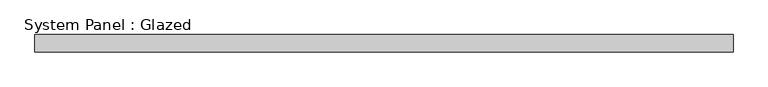
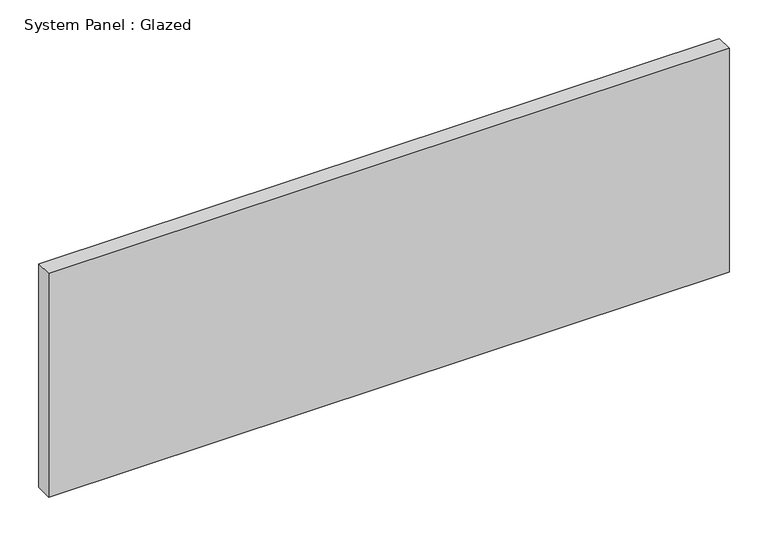
"""IFC4 building model written with IfcOpenShell, lengths in millimetres: plate geometry, System Panel : Glazed."""

from ifc_helpers import new_model, si_unit, origin, origin_with_axes, place, context, project, spatial, polyline, outline, extrude, source, transform, mapped, element, save


def system_panel_glazed_c3c95ef0(model_context):
    return source(origin(), model_context, "Body", "SweptSolid", [
        extrude(outline(polyline([(508.0, 19.05), (-508.0, 19.05), (-508.0, 44.45), (508.0, 44.45), (508.0, 19.05)])), origin_with_axes(), (0.0, 0.0, 1.0), 352.8785714),
    ])


if __name__ == "__main__":
    model = new_model("IFC4")
    model_context = context("Model", 3, world=origin())
    ifc_project = project(units=[si_unit("LENGTHUNIT", "METRE", prefix="MILLI")], contexts=[model_context])
    site = spatial("IfcSite", under=ifc_project)
    building = spatial("IfcBuilding", under=site)
    placement = place(None, origin())
    system_panel_glazed_shape = system_panel_glazed_c3c95ef0(model_context)
    element("IfcPlate", 1, ObjectType="System Panel : Glazed", at=placement, inside=building, context=model_context, shape_type="MappedRepresentation", body=[
        mapped(system_panel_glazed_shape, transform((0.0, 0.0, 0.0), x_axis=(1.0, 0.0, 0.0), y_axis=(0.0, 1.0, 0.0), z_axis=(0.0, 0.0, 1.0))),
    ])
    save(model, "model.ifc")
